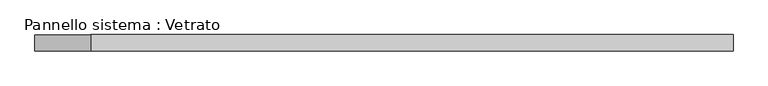
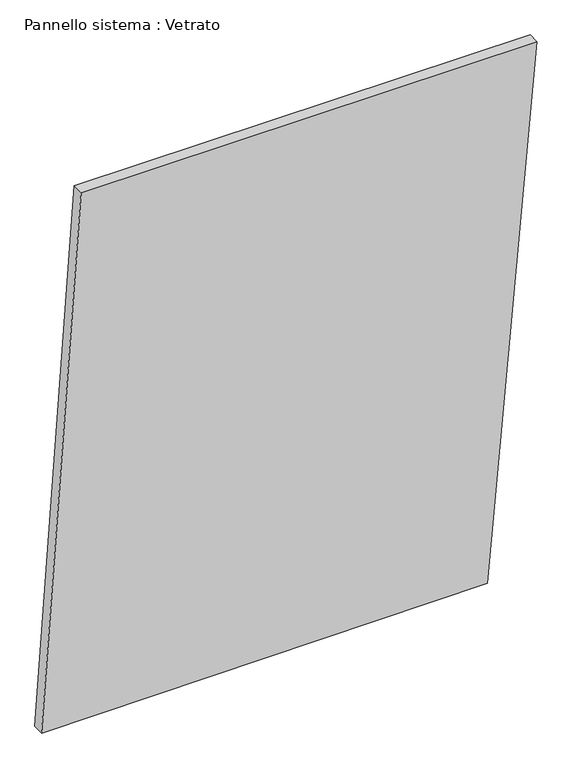
"""IFC4 building model written with IfcOpenShell, lengths in millimetres: plate geometry, Pannello sistema : Vetrato."""

import ifcopenshell
import ifcopenshell.guid

model = None  # the IFC model being written
_history = None  # IfcOwnerHistory: only IFC2X3 demands one
_inside = {}  # id of a spatial element -> (the spatial element, [elements in it])
_under = {}  # id of a project, library or spatial element -> (it, [spatial elements below it])
_declared = {}  # id of a project -> (the project, [libraries it declares])
_typed = {}  # id of a type object -> (the type object, [elements of that type])
_made_of = {}  # id of a material, layer set ... -> (it, [elements and type objects made of it])


def new_model(schema):
    """Start an empty IFC model of exactly this schema.

    Asked for "IFC4X3", IfcOpenShell would pick the latest addendum, in which some entities
    have other attributes; the version numbers below select the first issue.
    IFC2X3 requires an IfcOwnerHistory on every rooted entity: one is made here for all.
    """
    global model, _history
    if schema == "IFC4X3":
        model = ifcopenshell.file(schema_version=(4, 3, 0, 0))
    else:
        model = ifcopenshell.file(schema=schema)
    _inside.clear()
    _under.clear()
    _declared.clear()
    _typed.clear()
    _made_of.clear()
    _history = None
    if model.schema == "IFC2X3":
        org = make("IfcOrganization", Name="unknown")
        user = make(
            "IfcPersonAndOrganization",
            ThePerson=make("IfcPerson", FamilyName="unknown"),
            TheOrganization=org,
        )
        app = make(
            "IfcApplication",
            ApplicationDeveloper=org,
            Version="unknown",
            ApplicationFullName="unknown",
            ApplicationIdentifier="unknown",
        )
        _history = make(
            "IfcOwnerHistory",
            OwningUser=user,
            OwningApplication=app,
            ChangeAction="ADDED",
            CreationDate=0,
        )
    return model


def make(cls, **values):
    """One entity of the class cls with the attributes given. An attribute that is None is left unset."""
    return model.create_entity(
        cls, **{name: value for name, value in values.items() if value is not None}
    )


def rooted(cls, **values):
    """An entity with a GlobalId (a new one), such as an element, a storey or a relation."""
    return make(cls, GlobalId=ifcopenshell.guid.new(), OwnerHistory=_history, **values)


def si_unit(unit_type, name, prefix=None):
    """IfcSIUnit, for example si_unit("LENGTHUNIT", "METRE", prefix="MILLI")."""
    return make("IfcSIUnit", UnitType=unit_type, Prefix=prefix, Name=name)


def assignment(units):
    """IfcUnitAssignment: the units of a project."""
    return None if units is None else make("IfcUnitAssignment", Units=units)


def point(xyz):
    """IfcCartesianPoint."""
    return None if xyz is None else make("IfcCartesianPoint", Coordinates=xyz)


def direction(xyz):
    """IfcDirection."""
    return None if xyz is None else make("IfcDirection", DirectionRatios=xyz)


def frame(location, z_axis=None, x_axis=None):
    """IfcAxis2Placement3D, a coordinate frame: its origin and axes. An axis left out is left unset."""
    return make(
        "IfcAxis2Placement3D",
        Location=point(location),
        Axis=direction(z_axis),
        RefDirection=direction(x_axis),
    )


def origin():
    """The frame at (0, 0, 0) with its axes left unset."""
    return frame((0.0, 0.0, 0.0))


def place(relative_to, where):
    """IfcLocalPlacement: puts the frame where relative to a parent placement (None: the world)."""
    return make(
        "IfcLocalPlacement", PlacementRelTo=relative_to, RelativePlacement=where
    )


def context(
    kind, dimensions, precision=None, world=None, true_north=None, identifier=None
):
    """IfcGeometricRepresentationContext, for example the 3D "Model" context."""
    return make(
        "IfcGeometricRepresentationContext",
        ContextIdentifier=identifier,
        ContextType=kind,
        CoordinateSpaceDimension=dimensions,
        Precision=precision,
        WorldCoordinateSystem=world,
        TrueNorth=true_north,
    )


def project(units=None, contexts=None):
    """IfcProject with its units and contexts."""
    return rooted(
        "IfcProject",
        Name="project",
        RepresentationContexts=contexts,
        UnitsInContext=assignment(units),
    )


def spatial(cls, under=None, at=None, **own):
    """A site, building, storey or space (cls), placed at a placement, below another one or the project."""
    s = rooted(cls, ObjectPlacement=at, **own)
    if under is not None:
        _under.setdefault(under.id(), (under, []))[1].append(s)
    return s


def polyline(points):
    """IfcPolyline through the points."""
    return make("IfcPolyline", Points=[point(p) for p in points])


def outline(outer, holes=None, kind="AREA"):
    """IfcArbitraryClosedProfileDef: a profile drawn as a closed curve; with holes, ...WithVoids."""
    if holes is None:
        return make("IfcArbitraryClosedProfileDef", ProfileType=kind, OuterCurve=outer)
    return make(
        "IfcArbitraryProfileDefWithVoids",
        ProfileType=kind,
        OuterCurve=outer,
        InnerCurves=holes,
    )


def extrude(swept, where, along, depth):
    """IfcExtrudedAreaSolid: the profile swept, set in the frame where, extruded along a direction by depth."""
    return make(
        "IfcExtrudedAreaSolid",
        SweptArea=swept,
        Position=where,
        ExtrudedDirection=direction(along),
        Depth=depth,
    )


def shape(context_of_items, identifier, shape_type, items):
    """IfcShapeRepresentation: the items that make up one representation, for example the "Body"."""
    return make(
        "IfcShapeRepresentation",
        ContextOfItems=context_of_items,
        RepresentationIdentifier=identifier,
        RepresentationType=shape_type,
        Items=items,
    )


def source(mapping_origin, context_of_items, identifier, shape_type, items):
    """IfcRepresentationMap: a shape defined once, which mapped items show again and again."""
    return make(
        "IfcRepresentationMap",
        MappingOrigin=mapping_origin,
        MappedRepresentation=shape(context_of_items, identifier, shape_type, items),
    )


def transform(
    local_origin,
    x_axis=None,
    y_axis=None,
    z_axis=None,
    scale=None,
    scale2=None,
    scale3=None,
    uniform=True,
):
    """IfcCartesianTransformationOperator3D, or its non-uniform kind. x_axis, y_axis, z_axis: its Axis1, 2, 3."""
    if uniform:
        return make(
            "IfcCartesianTransformationOperator3D",
            Axis1=direction(x_axis),
            Axis2=direction(y_axis),
            LocalOrigin=point(local_origin),
            Scale=scale,
            Axis3=direction(z_axis),
        )
    return make(
        "IfcCartesianTransformationOperator3DnonUniform",
        Axis1=direction(x_axis),
        Axis2=direction(y_axis),
        LocalOrigin=point(local_origin),
        Scale=scale,
        Axis3=direction(z_axis),
        Scale2=scale2,
        Scale3=scale3,
    )


def mapped(mapping_source, mapping_target):
    """IfcMappedItem: shows the shape of a source again, moved by a transform."""
    return make(
        "IfcMappedItem", MappingSource=mapping_source, MappingTarget=mapping_target
    )


def made_of(thing, what):
    """Note that an element or type object is made of a material, layer set ...; save() writes the relation."""
    if what is not None:
        _made_of.setdefault(what.id(), (what, []))[1].append(thing)
    return thing


def element(
    cls,
    number,
    at=None,
    inside=None,
    cuts=None,
    type_object=None,
    material=None,
    context=None,
    identifier="Body",
    shape_type=None,
    held_by="IfcProductDefinitionShape",
    body=None,
    shapes=None,
    **own,
):
    """One element of the class cls, such as IfcWall. Its Tag is "e" and its number.

    at: its placement. inside: the storey or other place that contains it. cuts: it is an
    opening in that element (IfcRelVoidsElement). A single representation is given by context,
    identifier, shape_type and body (its items); several are given by shapes. held_by: the class
    of the entity that holds the representations. save() writes the other relations.
    """
    e = rooted(cls, Tag="e%d" % number, ObjectPlacement=at, **own)
    if body is not None:
        shapes = [shape(context, identifier, shape_type, body)]
    if shapes is not None:
        e.Representation = make(held_by, Representations=shapes)
    if inside is not None:
        _inside.setdefault(inside.id(), (inside, []))[1].append(e)
    if cuts is not None:
        rooted(
            "IfcRelVoidsElement", RelatingBuildingElement=cuts, RelatedOpeningElement=e
        )
    if type_object is not None:
        _typed.setdefault(type_object.id(), (type_object, []))[1].append(e)
    return made_of(e, material)


def aggregate(whole, parts):
    """IfcRelAggregates: a whole, such as a stair, and the parts it consists of."""
    return rooted("IfcRelAggregates", RelatingObject=whole, RelatedObjects=parts)


def save(model, path):
    """Write the relations noted so far, then the file.

    IfcRelAggregates (storeys below a building ...), IfcRelContainedInSpatialStructure (elements
    in a storey), IfcRelDefinesByType, IfcRelAssociatesMaterial and IfcRelDeclares: one each for
    every whole, place, type object, material and project.
    """
    for whole, parts in _under.values():
        aggregate(whole, parts)
    for where, things in _inside.values():
        rooted(
            "IfcRelContainedInSpatialStructure",
            RelatedElements=things,
            RelatingStructure=where,
        )
    for kind, things in _typed.values():
        rooted("IfcRelDefinesByType", RelatedObjects=things, RelatingType=kind)
    for what, things in _made_of.values():
        rooted("IfcRelAssociatesMaterial", RelatedObjects=things, RelatingMaterial=what)
    for by, libraries in _declared.values():
        rooted("IfcRelDeclares", RelatingContext=by, RelatedDefinitions=libraries)
    model.write(path)


def pannello_sistema_vetrato_0aee9afa(model_context):
    return source(origin(), model_context, "Body", "SweptSolid", [
        extrude(outline(polyline([(0.0, -645.9566465), (5.154843, 516.7908316), (1453.0628055, 645.9566465), (1453.0628055, -542.9577713), (0.0, -645.9566465)])), frame((0.0, -15.0, 0.0), z_axis=(0.0, 1.0, 0.0), x_axis=(0.0, 0.0, 1.0)), (0.0, 0.0, 1.0), 30.0),
    ])


if __name__ == "__main__":
    model = new_model("IFC4")
    model_context = context("Model", 3, world=origin())
    ifc_project = project(units=[si_unit("LENGTHUNIT", "METRE", prefix="MILLI")], contexts=[model_context])
    site = spatial("IfcSite", under=ifc_project)
    building = spatial("IfcBuilding", under=site)
    placement = place(None, origin())
    pannello_sistema_vetrato_shape = pannello_sistema_vetrato_0aee9afa(model_context)
    element("IfcPlate", 1, ObjectType="Pannello sistema : Vetrato", at=placement, inside=building, context=model_context, shape_type="MappedRepresentation", body=[
        mapped(pannello_sistema_vetrato_shape, transform((0.0, 0.0, 0.0), x_axis=(1.0, 0.0, 0.0), y_axis=(0.0, 1.0, 0.0), z_axis=(0.0, 0.0, 1.0))),
    ])
    save(model, "model.ifc")
